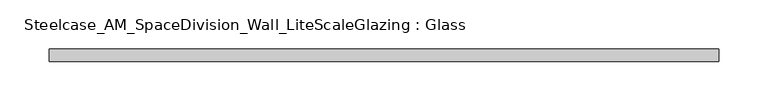
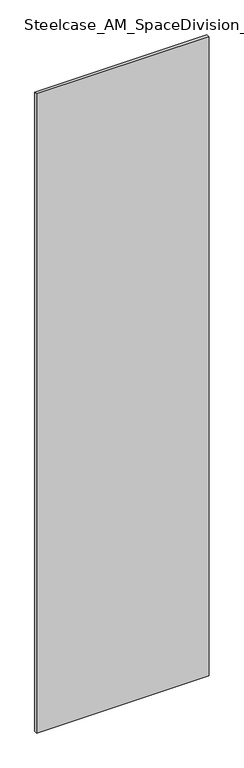
"""IFC4 building model written with IfcOpenShell, lengths in millimetres: plate geometry, Steelcase_AM_SpaceDivision_Wall_LiteScaleGlazing : Glass."""

from ifc_helpers import new_model, si_unit, origin, origin_with_axes, place, context, project, spatial, polyline, outline, extrude, source, transform, mapped, element, save


def steelcase_am_spacedivision_wall_litescaleglazing_glass_9af0d5c8(model_context):
    return source(origin(), model_context, "Body", "SweptSolid", [
        extrude(outline(polyline([(-340.3550996, -6.349956), (-340.3550996, 6.3502015), (340.3550996, 6.3502015), (340.3550996, -6.349956), (-340.3550996, -6.349956)])), origin_with_axes(), (0.0, 0.0, 1.0), 2665.984),
    ])


if __name__ == "__main__":
    model = new_model("IFC4")
    model_context = context("Model", 3, world=origin())
    ifc_project = project(units=[si_unit("LENGTHUNIT", "METRE", prefix="MILLI")], contexts=[model_context])
    site = spatial("IfcSite", under=ifc_project)
    building = spatial("IfcBuilding", under=site)
    placement = place(None, origin())
    steelcase_am_spacedivision_wall_litescaleglazing_glass_shape = steelcase_am_spacedivision_wall_litescaleglazing_glass_9af0d5c8(model_context)
    element("IfcPlate", 1, ObjectType="Steelcase_AM_SpaceDivision_Wall_LiteScaleGlazing : Glass", at=placement, inside=building, context=model_context, shape_type="MappedRepresentation", body=[
        mapped(steelcase_am_spacedivision_wall_litescaleglazing_glass_shape, transform((0.0, 0.0, 0.0), x_axis=(1.0, 0.0, 0.0), y_axis=(0.0, 1.0, 0.0), z_axis=(0.0, 0.0, 1.0))),
    ])
    save(model, "model.ifc")
